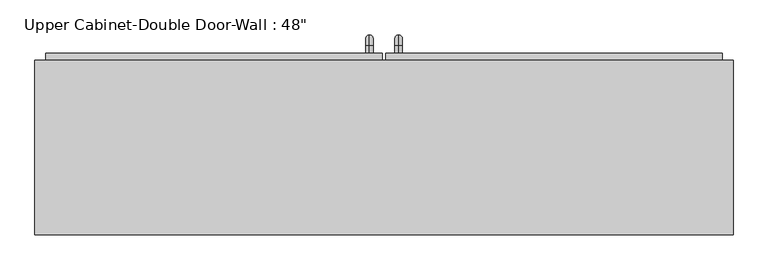
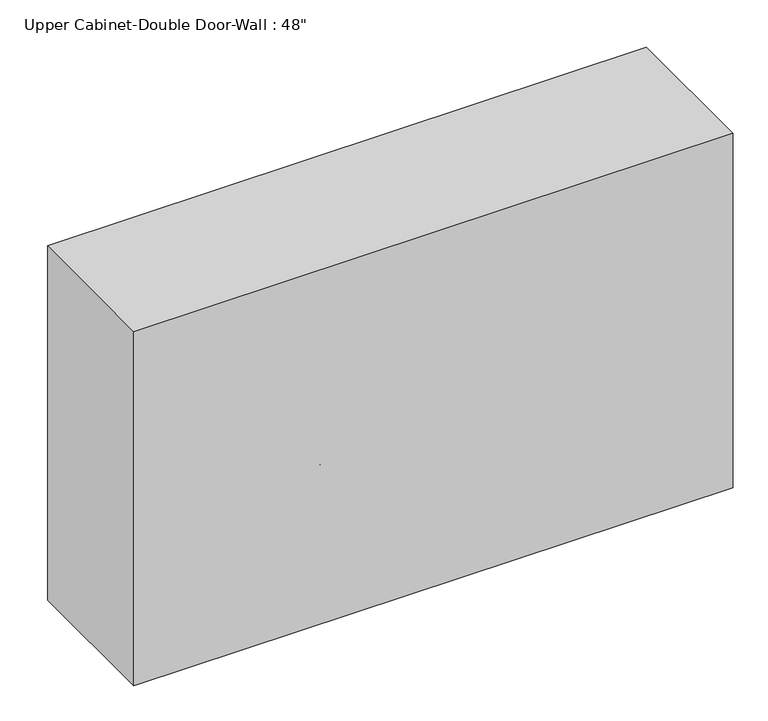
"""IFC4 building model written with IfcOpenShell, lengths in millimetres: furniture geometry."""

from ifc_helpers import new_model, si_unit, point, frame, origin, place, context, project, spatial, polyline, circle_curve, ellipse_curve, trimmed, outline, extrude, faceted_brep, source, transform, mapped, element, save
from ifc_brep_helpers import plane_surface, cylinder_surface, revolved_surface, advanced_brep


def furniture_7eab9ae5(model_context):
    return source(origin(), model_context, "Body", "SolidModel", [
        faceted_brep([(-579.8288372, 57.15, 2133.6), (-579.8288372, 57.15, 1371.6), (639.3711628, 57.15, 1371.6), (639.3711628, 57.15, 2133.6), (-579.8288372, 361.95, 2133.6), (639.3711628, 361.95, 2133.6), (639.3711628, 361.95, 1371.6), (-579.8288372, 361.95, 1371.6), (-560.7788372, 361.95, 2114.55), (-560.7788372, 361.95, 1390.65), (620.3211628, 361.95, 1390.65), (620.3211628, 361.95, 2114.55), (620.3211628, 76.2, 2114.55), (-560.7788372, 76.2, 2114.55), (620.3211628, 76.2, 1390.65), (-560.7788372, 76.2, 1390.65)], [[[0, 1, 2, 3]], [[4, 5, 6, 7], [8, 9, 10, 11]], [[1, 0, 4, 7]], [[2, 1, 7, 6]], [[3, 2, 6, 5]], [[0, 3, 5, 4]], [[8, 11, 12, 13]], [[11, 10, 14, 12]], [[10, 9, 15, 14]], [[9, 8, 13, 15]], [[13, 12, 14, 15]]]),
        advanced_brep(
        [(55.1711628, 374.65, 1517.65), (55.1711628, 374.65, 1530.35), (55.1711628, 387.35, 1517.65), (55.1711628, 387.35, 1530.35), (55.1711628, 406.4, 1511.3), (55.1711628, 393.7, 1511.3), (55.1711628, 393.7, 1435.1), (55.1711628, 406.4, 1435.1), (55.1711628, 387.35, 1416.05), (55.1711628, 387.35, 1428.75), (55.1711628, 374.65, 1428.75), (55.1711628, 374.65, 1416.05)],
        [
            (0, 1, circle_curve(frame((55.1711628, 374.65, 1524.0), z_axis=(0.0, -1.0, 0.0), x_axis=(0.0, 0.0, -1.0)), 6.35)),
            (1, 0, circle_curve(frame((55.1711628, 374.65, 1524.0), z_axis=(0.0, -1.0, 0.0), x_axis=(0.0, 0.0, -1.0)), 6.35)),
            (0, 2),
            (2, 3, circle_curve(frame((55.1711628, 387.35, 1524.0), z_axis=(0.0, -1.0, 0.0), x_axis=(0.0, 0.0, -1.0)), 6.35)),
            (3, 1),
            (3, 2, circle_curve(frame((55.1711628, 387.35, 1524.0), z_axis=(0.0, -1.0, 0.0), x_axis=(0.0, 0.0, -1.0)), 6.35)),
            (4, 3, circle_curve(frame((55.1711628, 387.35, 1511.3), z_axis=(1.0, 0.0, 0.0), x_axis=(0.0, 0.0, 1.0)), 19.05)),
            (2, 5, circle_curve(frame((55.1711628, 387.35, 1511.3), z_axis=(-1.0, 0.0, 0.0), x_axis=(0.0, 0.0, 1.0)), 6.35)),
            (5, 4, circle_curve(frame((55.1711628, 400.05, 1511.3), z_axis=(0.0, 0.0, 1.0), x_axis=(0.0, -1.0, 0.0)), 6.35)),
            (4, 5, circle_curve(frame((55.1711628, 400.05, 1511.3), z_axis=(0.0, 0.0, 1.0), x_axis=(0.0, -1.0, 0.0)), 6.35)),
            (5, 6),
            (6, 7, circle_curve(frame((55.1711628, 400.05, 1435.1), z_axis=(0.0, 0.0, 1.0), x_axis=(0.0, -1.0, 0.0)), 6.35)),
            (7, 4),
            (7, 6, circle_curve(frame((55.1711628, 400.05, 1435.1), z_axis=(0.0, 0.0, 1.0), x_axis=(0.0, -1.0, 0.0)), 6.35)),
            (8, 7, circle_curve(frame((55.1711628, 387.35, 1435.1), z_axis=(1.0, 0.0, 0.0), x_axis=(0.0, 1.0, 0.0)), 19.05)),
            (6, 9, circle_curve(frame((55.1711628, 387.35, 1435.1), z_axis=(-1.0, 0.0, 0.0), x_axis=(0.0, 1.0, 0.0)), 6.35)),
            (9, 8, circle_curve(frame((55.1711628, 387.35, 1422.4), z_axis=(0.0, 1.0, 0.0), x_axis=(0.0, 0.0, 1.0)), 6.35)),
            (8, 9, circle_curve(frame((55.1711628, 387.35, 1422.4), z_axis=(0.0, 1.0, 0.0), x_axis=(0.0, 0.0, 1.0)), 6.35)),
            (10, 11, circle_curve(frame((55.1711628, 374.65, 1422.4), z_axis=(0.0, -1.0, 0.0), x_axis=(0.0, 0.0, 1.0)), 6.35)),
            (11, 10, circle_curve(frame((55.1711628, 374.65, 1422.4), z_axis=(0.0, -1.0, 0.0), x_axis=(0.0, 0.0, 1.0)), 6.35)),
            (9, 10),
            (11, 8),
        ],
        [
            plane_surface(frame((48.8211628, 374.65, 1524.0), z_axis=(0.0, -1.0, 0.0), x_axis=(0.0, 0.0, 1.0))),
            cylinder_surface(frame((55.1711628, 374.65, 1524.0), z_axis=(0.0, -1.0, 0.0), x_axis=(0.0, 0.0, -1.0)), 6.35),
            revolved_surface(trimmed(ellipse_curve(frame((55.1711628, 387.35, 1524.0), z_axis=(0.0, -1.0, 0.0), x_axis=(0.0, 0.0, -1.0)), 6.35, 6.35), [point((55.1711628, 387.35, 1517.65))], [point((55.1711628, 387.35, 1530.35))], True, "CARTESIAN"), (55.1711628, 387.35, 1511.3), (-1.0, 0.0, 0.0)),
            revolved_surface(trimmed(ellipse_curve(frame((55.1711628, 387.35, 1524.0), z_axis=(0.0, -1.0, 0.0), x_axis=(0.0, 0.0, -1.0)), 6.35, 6.35), [point((55.1711628, 387.35, 1530.35))], [point((55.1711628, 387.35, 1517.65))], True, "CARTESIAN"), (55.1711628, 387.35, 1511.3), (-1.0, 0.0, 0.0)),
            cylinder_surface(frame((55.1711628, 400.05, 1511.3), z_axis=(0.0, 0.0, 1.0), x_axis=(0.0, -1.0, 0.0)), 6.35),
            revolved_surface(trimmed(ellipse_curve(frame((55.1711628, 400.05, 1435.1), z_axis=(0.0, 0.0, 1.0), x_axis=(0.0, -1.0, 0.0)), 6.35, 6.35), [point((55.1711628, 393.7, 1435.1))], [point((55.1711628, 406.4, 1435.1))], True, "CARTESIAN"), (55.1711628, 387.35, 1435.1), (-1.0, 0.0, 0.0)),
            revolved_surface(trimmed(ellipse_curve(frame((55.1711628, 400.05, 1435.1), z_axis=(0.0, 0.0, 1.0), x_axis=(0.0, -1.0, 0.0)), 6.35, 6.35), [point((55.1711628, 406.4, 1435.1))], [point((55.1711628, 393.7, 1435.1))], True, "CARTESIAN"), (55.1711628, 387.35, 1435.1), (-1.0, 0.0, 0.0)),
            plane_surface(frame((48.8211628, 374.65, 1422.4), z_axis=(0.0, -1.0, 0.0), x_axis=(0.0, 0.0, -1.0))),
            cylinder_surface(frame((55.1711628, 387.35, 1422.4), z_axis=(0.0, 1.0, 0.0), x_axis=(0.0, 0.0, 1.0)), 6.35),
        ],
        [
            (0, [[1, 2]]),
            (1, [[-1, 3, 4, 5]]),
            (1, [[-2, -5, 6, -3]]),
            (2, [[7, -4, 8, 9]]),
            (3, [[-8, -6, -7, 10]]),
            (4, [[-9, 11, 12, 13]]),
            (4, [[-10, -13, 14, -11]]),
            (5, [[15, -12, 16, 17]]),
            (6, [[-16, -14, -15, 18]]),
            (7, [[19, 20]]),
            (8, [[-17, 21, -20, 22]]),
            (8, [[-18, -22, -19, -21]]),
        ],
    ),
        advanced_brep(
        [(4.3711628, 374.65, 1517.65), (4.3711628, 374.65, 1530.35), (4.3711628, 387.35, 1517.65), (4.3711628, 387.35, 1530.35), (4.3711628, 406.4, 1511.3), (4.3711628, 393.7, 1511.3), (4.3711628, 393.7, 1435.1), (4.3711628, 406.4, 1435.1), (4.3711628, 387.35, 1416.05), (4.3711628, 387.35, 1428.75), (4.3711628, 374.65, 1428.75), (4.3711628, 374.65, 1416.05)],
        [
            (0, 1, circle_curve(frame((4.3711628, 374.65, 1524.0), z_axis=(0.0, -1.0, 0.0), x_axis=(0.0, 0.0, 1.0)), 6.35)),
            (1, 0, circle_curve(frame((4.3711628, 374.65, 1524.0), z_axis=(0.0, -1.0, 0.0), x_axis=(0.0, 0.0, 1.0)), 6.35)),
            (0, 2),
            (2, 3, circle_curve(frame((4.3711628, 387.35, 1524.0), z_axis=(0.0, -1.0, 0.0), x_axis=(0.0, 0.0, 1.0)), 6.35)),
            (3, 1),
            (3, 2, circle_curve(frame((4.3711628, 387.35, 1524.0), z_axis=(0.0, -1.0, 0.0), x_axis=(0.0, 0.0, 1.0)), 6.35)),
            (4, 3, circle_curve(frame((4.3711628, 387.35, 1511.3), z_axis=(1.0, 0.0, 0.0), x_axis=(0.0, 0.0, 1.0)), 19.05)),
            (2, 5, circle_curve(frame((4.3711628, 387.35, 1511.3), z_axis=(-1.0, 0.0, 0.0), x_axis=(0.0, 0.0, 1.0)), 6.35)),
            (5, 4, circle_curve(frame((4.3711628, 400.05, 1511.3), z_axis=(0.0, 0.0, 1.0), x_axis=(0.0, 1.0, 0.0)), 6.35)),
            (4, 5, circle_curve(frame((4.3711628, 400.05, 1511.3), z_axis=(0.0, 0.0, 1.0), x_axis=(0.0, 1.0, 0.0)), 6.35)),
            (5, 6),
            (6, 7, circle_curve(frame((4.3711628, 400.05, 1435.1), z_axis=(0.0, 0.0, 1.0), x_axis=(0.0, 1.0, 0.0)), 6.35)),
            (7, 4),
            (7, 6, circle_curve(frame((4.3711628, 400.05, 1435.1), z_axis=(0.0, 0.0, 1.0), x_axis=(0.0, 1.0, 0.0)), 6.35)),
            (8, 7, circle_curve(frame((4.3711628, 387.35, 1435.1), z_axis=(1.0, 0.0, 0.0), x_axis=(0.0, 1.0, 0.0)), 19.05)),
            (6, 9, circle_curve(frame((4.3711628, 387.35, 1435.1), z_axis=(-1.0, 0.0, 0.0), x_axis=(0.0, 1.0, 0.0)), 6.35)),
            (9, 8, circle_curve(frame((4.3711628, 387.35, 1422.4), z_axis=(0.0, 1.0, 0.0), x_axis=(0.0, 0.0, -1.0)), 6.35)),
            (8, 9, circle_curve(frame((4.3711628, 387.35, 1422.4), z_axis=(0.0, 1.0, 0.0), x_axis=(0.0, 0.0, -1.0)), 6.35)),
            (10, 11, circle_curve(frame((4.3711628, 374.65, 1422.4), z_axis=(0.0, -1.0, 0.0), x_axis=(0.0, 0.0, -1.0)), 6.35)),
            (11, 10, circle_curve(frame((4.3711628, 374.65, 1422.4), z_axis=(0.0, -1.0, 0.0), x_axis=(0.0, 0.0, -1.0)), 6.35)),
            (9, 10),
            (11, 8),
        ],
        [
            plane_surface(frame((-1.9788372, 374.65, 1524.0), z_axis=(0.0, -1.0, 0.0), x_axis=(0.0, 0.0, 1.0))),
            cylinder_surface(frame((4.3711628, 374.65, 1524.0), z_axis=(0.0, -1.0, 0.0), x_axis=(0.0, 0.0, 1.0)), 6.35),
            revolved_surface(trimmed(ellipse_curve(frame((4.3711628, 387.35, 1524.0), z_axis=(0.0, -1.0, 0.0), x_axis=(0.0, 0.0, 1.0)), 6.35, 6.35), [point((4.3711628, 387.35, 1517.65))], [point((4.3711628, 387.35, 1530.35))], True, "CARTESIAN"), (4.3711628, 387.35, 1511.3), (-1.0, 0.0, 0.0)),
            revolved_surface(trimmed(ellipse_curve(frame((4.3711628, 387.35, 1524.0), z_axis=(0.0, -1.0, 0.0), x_axis=(0.0, 0.0, 1.0)), 6.35, 6.35), [point((4.3711628, 387.35, 1530.35))], [point((4.3711628, 387.35, 1517.65))], True, "CARTESIAN"), (4.3711628, 387.35, 1511.3), (-1.0, 0.0, 0.0)),
            cylinder_surface(frame((4.3711628, 400.05, 1511.3), z_axis=(0.0, 0.0, 1.0), x_axis=(0.0, 1.0, 0.0)), 6.35),
            revolved_surface(trimmed(ellipse_curve(frame((4.3711628, 400.05, 1435.1), z_axis=(0.0, 0.0, 1.0), x_axis=(0.0, 1.0, 0.0)), 6.35, 6.35), [point((4.3711628, 393.7, 1435.1))], [point((4.3711628, 406.4, 1435.1))], True, "CARTESIAN"), (4.3711628, 387.35, 1435.1), (-1.0, 0.0, 0.0)),
            revolved_surface(trimmed(ellipse_curve(frame((4.3711628, 400.05, 1435.1), z_axis=(0.0, 0.0, 1.0), x_axis=(0.0, 1.0, 0.0)), 6.35, 6.35), [point((4.3711628, 406.4, 1435.1))], [point((4.3711628, 393.7, 1435.1))], True, "CARTESIAN"), (4.3711628, 387.35, 1435.1), (-1.0, 0.0, 0.0)),
            plane_surface(frame((-1.9788372, 374.65, 1422.4), z_axis=(0.0, -1.0, 0.0), x_axis=(0.0, 0.0, -1.0))),
            cylinder_surface(frame((4.3711628, 387.35, 1422.4), z_axis=(0.0, 1.0, 0.0), x_axis=(0.0, 0.0, -1.0)), 6.35),
        ],
        [
            (0, [[1, 2]]),
            (1, [[-1, 3, 4, 5]]),
            (1, [[-2, -5, 6, -3]]),
            (2, [[7, -4, 8, 9]]),
            (3, [[-8, -6, -7, 10]]),
            (4, [[-9, 11, 12, 13]]),
            (4, [[-10, -13, 14, -11]]),
            (5, [[15, -12, 16, 17]]),
            (6, [[-16, -14, -15, 18]]),
            (7, [[19, 20]]),
            (8, [[-17, 21, -20, 22]]),
            (8, [[-18, -22, -19, -21]]),
        ],
    ),
        extrude(outline(polyline([(32.9461628, 374.65), (620.3211628, 374.65), (620.3211628, 342.9), (32.9461628, 342.9), (32.9461628, 374.65)])), frame((0.0, 0.0, 1390.65), z_axis=(0.0, 0.0, 1.0), x_axis=(1.0, 0.0, 0.0)), (0.0, 0.0, 1.0), 723.9),
        extrude(outline(polyline([(-560.7788372, 374.65), (26.5961628, 374.65), (26.5961628, 342.9), (-560.7788372, 342.9), (-560.7788372, 374.65)])), frame((0.0, 0.0, 1390.65), z_axis=(0.0, 0.0, 1.0), x_axis=(1.0, 0.0, 0.0)), (0.0, 0.0, 1.0), 723.9),
    ])


if __name__ == "__main__":
    model = new_model("IFC4")
    model_context = context("Model", 3, world=origin())
    ifc_project = project(units=[si_unit("LENGTHUNIT", "METRE", prefix="MILLI")], contexts=[model_context])
    site = spatial("IfcSite", under=ifc_project)
    building = spatial("IfcBuilding", under=site)
    placement = place(None, origin())
    furniture_shape = furniture_7eab9ae5(model_context)
    element("IfcFurniture", 1, ObjectType="Upper Cabinet-Double Door-Wall : 48\"", at=placement, inside=building, context=model_context, shape_type="MappedRepresentation", body=[
        mapped(furniture_shape, transform((0.0, 0.0, 0.0), x_axis=(1.0, 0.0, 0.0), y_axis=(0.0, 1.0, 0.0), z_axis=(0.0, 0.0, 1.0))),
    ])
    save(model, "model.ifc")
